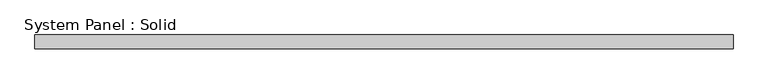
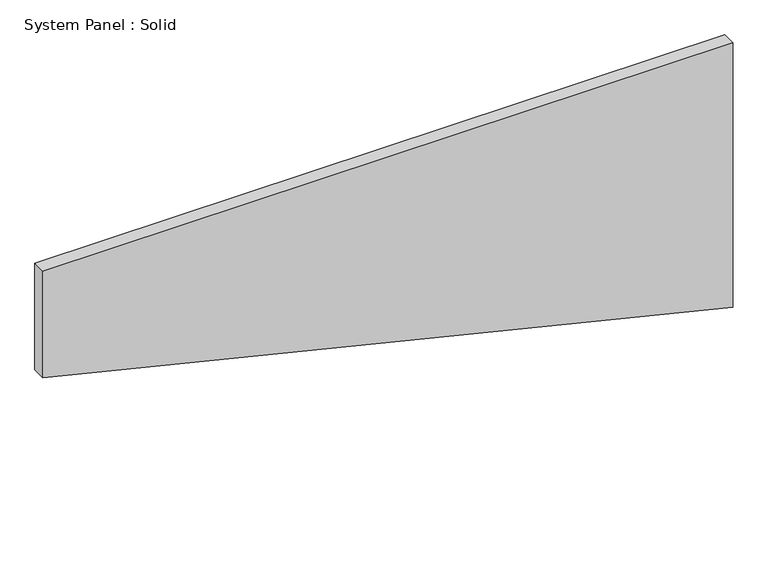
"""IFC4 building model written with IfcOpenShell, lengths in millimetres: plate geometry, System Panel : Solid."""

from ifc_helpers import new_model, si_unit, frame, origin, place, context, project, spatial, polyline, outline, extrude, source, transform, mapped, element, save


def system_panel_solid_8f02d70b(model_context):
    return source(origin(), model_context, "Body", "SweptSolid", [
        extrude(outline(polyline([(724.8500179, -1500.0), (0.0, 1500.0), (1214.100666, 1500.0), (1214.100666, -1500.0), (724.8500179, -1500.0)])), frame((0.0, -10.5, 0.0), z_axis=(0.0, 1.0, 0.0), x_axis=(0.0, 0.0, 1.0)), (0.0, 0.0, 1.0), 60.0),
    ])


if __name__ == "__main__":
    model = new_model("IFC4")
    model_context = context("Model", 3, world=origin())
    ifc_project = project(units=[si_unit("LENGTHUNIT", "METRE", prefix="MILLI")], contexts=[model_context])
    site = spatial("IfcSite", under=ifc_project)
    building = spatial("IfcBuilding", under=site)
    placement = place(None, origin())
    system_panel_solid_shape = system_panel_solid_8f02d70b(model_context)
    element("IfcPlate", 1, ObjectType="System Panel : Solid", at=placement, inside=building, context=model_context, shape_type="MappedRepresentation", body=[
        mapped(system_panel_solid_shape, transform((0.0, 0.0, 0.0), x_axis=(1.0, 0.0, 0.0), y_axis=(0.0, 1.0, 0.0), z_axis=(0.0, 0.0, 1.0))),
    ])
    save(model, "model.ifc")
